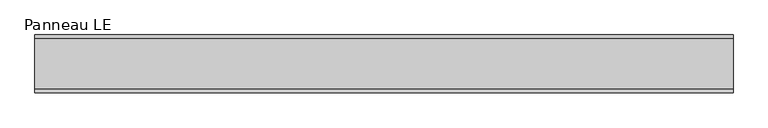
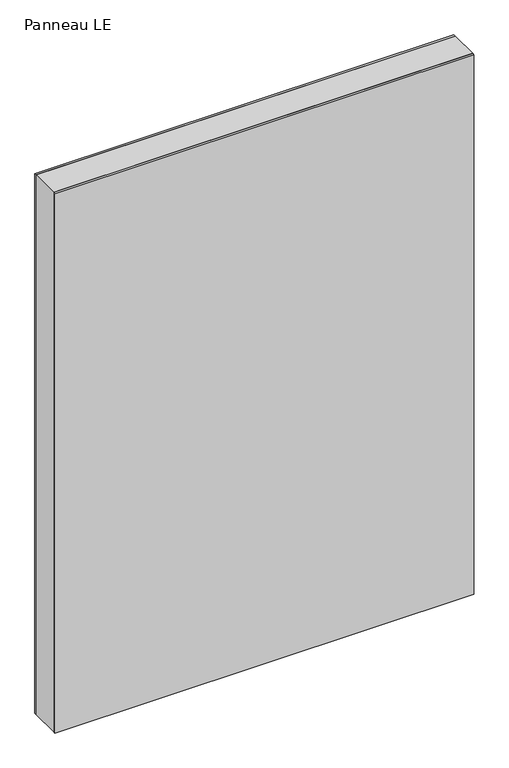
"""IFC4 building model written with IfcOpenShell, lengths in millimetres: plate geometry, Panneau LE."""

from ifc_helpers import new_model, si_unit, frame, origin, origin_with_axes, place, context, project, spatial, polyline, outline, extrude, source, transform, mapped, element, save


def panneau_le_643793e3(model_context):
    return source(origin(), model_context, "Body", "SweptSolid", [
        extrude(outline(polyline([(1483.5, 544.8749999), (1483.5, -544.8749999), (0.0, -544.8749999), (0.0, 544.8749999), (1483.5, 544.8749999)]), holes=[polyline([(30.0, -504.8749999), (1423.5, -504.8749999), (1423.5, 504.8749999), (30.0, 504.8749999), (30.0, -504.8749999)])]), frame((0.0, -39.0, 0.0), z_axis=(0.0, 1.0, 0.0), x_axis=(0.0, 0.0, 1.0)), (0.0, 0.0, 1.0), 78.0),
        extrude(outline(polyline([(544.8749999, 39.0), (-544.8749999, 39.0), (-544.8749999, 45.0), (544.8749999, 45.0), (544.8749999, 39.0)])), origin_with_axes(), (0.0, 0.0, 1.0), 1483.5),
        extrude(outline(polyline([(-544.8749999, -45.0), (-544.8749999, -39.0), (544.8749999, -39.0), (544.8749999, -45.0), (-544.8749999, -45.0)])), origin_with_axes(), (0.0, 0.0, 1.0), 1483.5),
    ])


if __name__ == "__main__":
    model = new_model("IFC4")
    model_context = context("Model", 3, world=origin())
    ifc_project = project(units=[si_unit("LENGTHUNIT", "METRE", prefix="MILLI")], contexts=[model_context])
    site = spatial("IfcSite", under=ifc_project)
    building = spatial("IfcBuilding", under=site)
    placement = place(None, origin())
    panneau_le_shape = panneau_le_643793e3(model_context)
    element("IfcPlate", 1, ObjectType="Panneau LE", at=placement, inside=building, context=model_context, shape_type="MappedRepresentation", body=[
        mapped(panneau_le_shape, transform((0.0, 0.0, 0.0), x_axis=(1.0, 0.0, 0.0), y_axis=(0.0, 1.0, 0.0), z_axis=(0.0, 0.0, 1.0))),
    ])
    save(model, "model.ifc")
